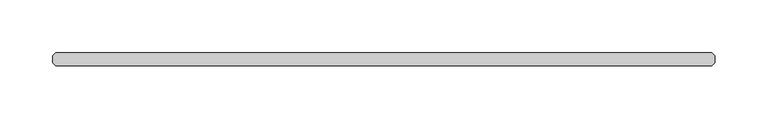
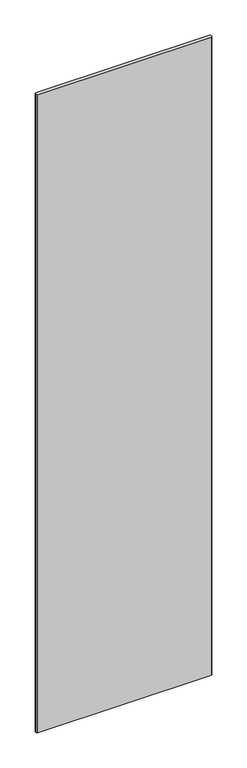
"""IFC4 building model written with IfcOpenShell, lengths in millimetres: plate geometry."""

from ifc_helpers import new_model, si_unit, origin, origin_with_axes, place, context, project, spatial, polyline, outline, extrude, source, transform, mapped, element, save


def plate_5545e19a(model_context):
    return source(origin(), model_context, "Body", "SweptSolid", [
        extrude(outline(polyline([(312.059992, -36.5125), (-312.059992, -36.5125), (-315.234992, -33.3375), (-315.234992, -26.9875), (-312.059992, -23.8125), (312.059992, -23.8125), (315.234992, -26.9875), (315.234992, -33.3375), (312.059992, -36.5125)])), origin_with_axes(), (0.0, 0.0, 1.0), 2428.7789267),
    ])


if __name__ == "__main__":
    model = new_model("IFC4")
    model_context = context("Model", 3, world=origin())
    ifc_project = project(units=[si_unit("LENGTHUNIT", "METRE", prefix="MILLI")], contexts=[model_context])
    site = spatial("IfcSite", under=ifc_project)
    building = spatial("IfcBuilding", under=site)
    placement = place(None, origin())
    plate_shape = plate_5545e19a(model_context)
    element("IfcPlate", 1, at=placement, inside=building, context=model_context, shape_type="MappedRepresentation", body=[
        mapped(plate_shape, transform((0.0, 0.0, 0.0), x_axis=(1.0, 0.0, 0.0), y_axis=(0.0, 1.0, 0.0), z_axis=(0.0, 0.0, 1.0))),
    ])
    save(model, "model.ifc")
